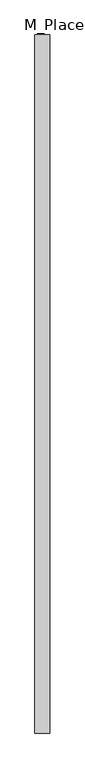
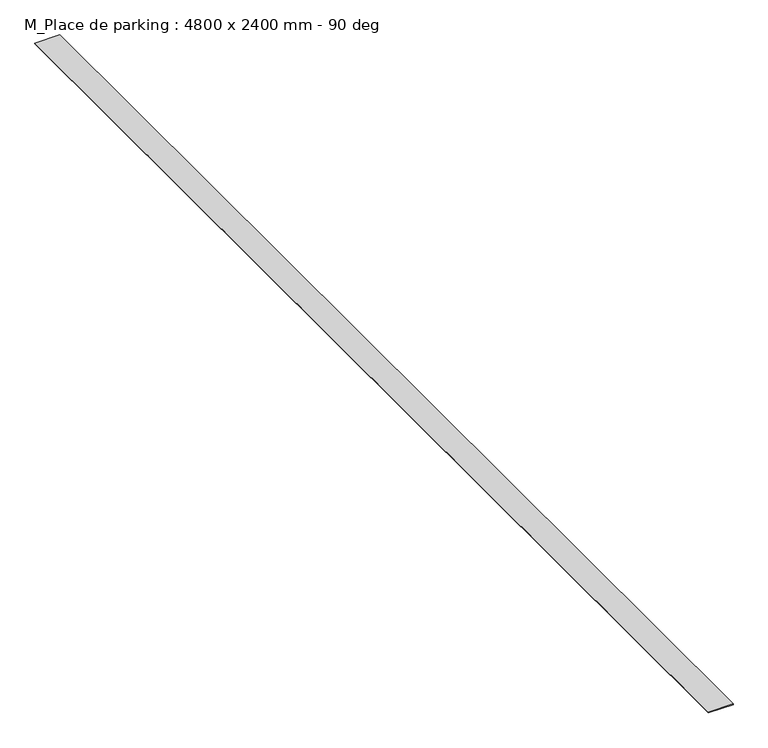
"""IFC4 building model written with IfcOpenShell, lengths in millimetres: proxy geometry, M_Place de parking : 4800 x 2400 mm - 90 deg."""

from ifc_helpers import new_model, si_unit, origin, origin_with_axes, place, context, project, spatial, polyline, outline, extrude, source, transform, mapped, element, save


def m_place_de_parking_4800_x_2400_mm_90_deg_a558168e(model_context):
    return source(origin(), model_context, "Body", "SweptSolid", [
        extrude(outline(polyline([(1249.2, -2400.0), (1350.8, -2400.0), (1350.8, -7200.0), (1249.2, -7200.0), (1249.2, -2400.0)])), origin_with_axes(), (0.0, 0.0, 1.0), 3.175),
    ])


if __name__ == "__main__":
    model = new_model("IFC4")
    model_context = context("Model", 3, world=origin())
    ifc_project = project(units=[si_unit("LENGTHUNIT", "METRE", prefix="MILLI")], contexts=[model_context])
    site = spatial("IfcSite", under=ifc_project)
    building = spatial("IfcBuilding", under=site)
    placement = place(None, origin())
    m_place_de_parking_4800_x_2400_mm_90_deg_shape = m_place_de_parking_4800_x_2400_mm_90_deg_a558168e(model_context)
    element("IfcBuildingElementProxy", 1, Name="M_Place de parking : 4800 x 2400 mm - 90 deg", ObjectType="M_Place de parking : 4800 x 2400 mm - 90 deg", at=placement, inside=building, context=model_context, shape_type="MappedRepresentation", body=[
        mapped(m_place_de_parking_4800_x_2400_mm_90_deg_shape, transform((0.0, 0.0, 0.0), x_axis=(1.0, 0.0, 0.0), y_axis=(0.0, 1.0, 0.0), z_axis=(0.0, 0.0, 1.0))),
    ])
    save(model, "model.ifc")
